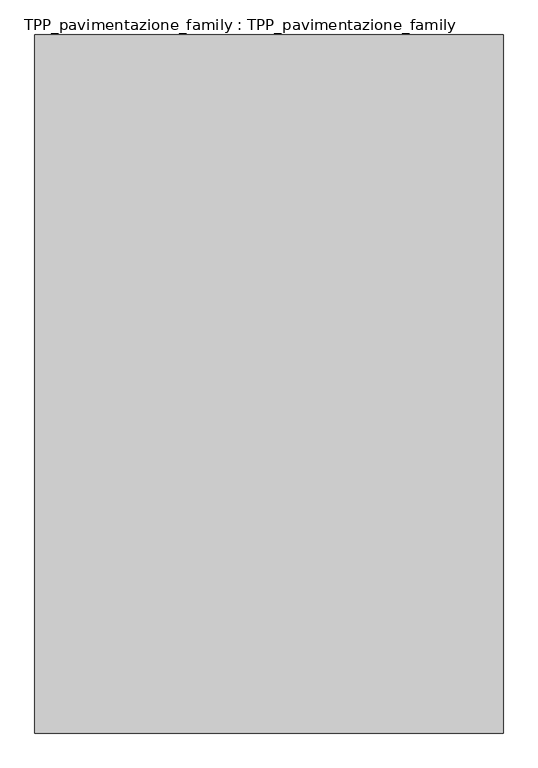
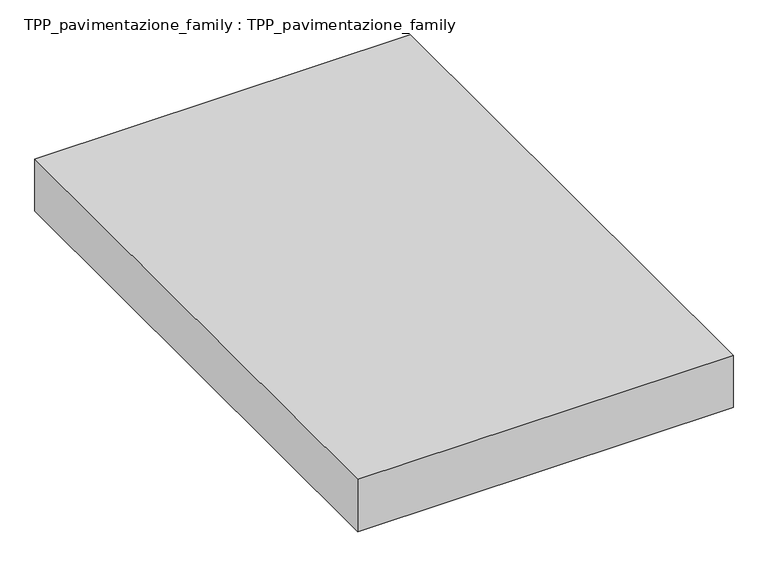
"""IFC4 building model written with IfcOpenShell, lengths in millimetres: proxy geometry, TPP_pavimentazione_family : TPP_pavimentazione_family."""

from ifc_helpers import new_model, si_unit, origin, origin_with_axes, place, context, project, spatial, polyline, outline, extrude, source, transform, mapped, element, save


def tpp_pavimentazione_family_tpp_pavimentazione_family_e0da5d00(model_context):
    return source(origin(), model_context, "Body", "SweptSolid", [
        extrude(outline(polyline([(511.8146187, 354.2201026), (511.8146187, -1166.0664256), (-508.7511813, -1166.0664256), (-508.7511813, 354.2201026), (511.8146187, 354.2201026)])), origin_with_axes(), (0.0, 0.0, 1.0), 150.0),
    ])


if __name__ == "__main__":
    model = new_model("IFC4")
    model_context = context("Model", 3, world=origin())
    ifc_project = project(units=[si_unit("LENGTHUNIT", "METRE", prefix="MILLI")], contexts=[model_context])
    site = spatial("IfcSite", under=ifc_project)
    building = spatial("IfcBuilding", under=site)
    placement = place(None, origin())
    tpp_pavimentazione_family_tpp_pavimentazione_family_shape = tpp_pavimentazione_family_tpp_pavimentazione_family_e0da5d00(model_context)
    element("IfcBuildingElementProxy", 1, Name="TPP_pavimentazione_family : TPP_pavimentazione_family", ObjectType="TPP_pavimentazione_family : TPP_pavimentazione_family", at=placement, inside=building, context=model_context, shape_type="MappedRepresentation", body=[
        mapped(tpp_pavimentazione_family_tpp_pavimentazione_family_shape, transform((0.0, 0.0, 0.0), x_axis=(1.0, 0.0, 0.0), y_axis=(0.0, 1.0, 0.0), z_axis=(0.0, 0.0, 1.0))),
    ])
    save(model, "model.ifc")
